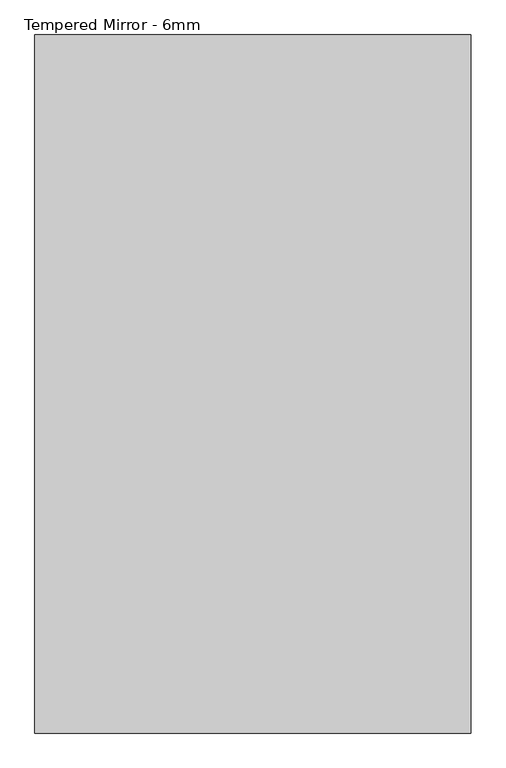
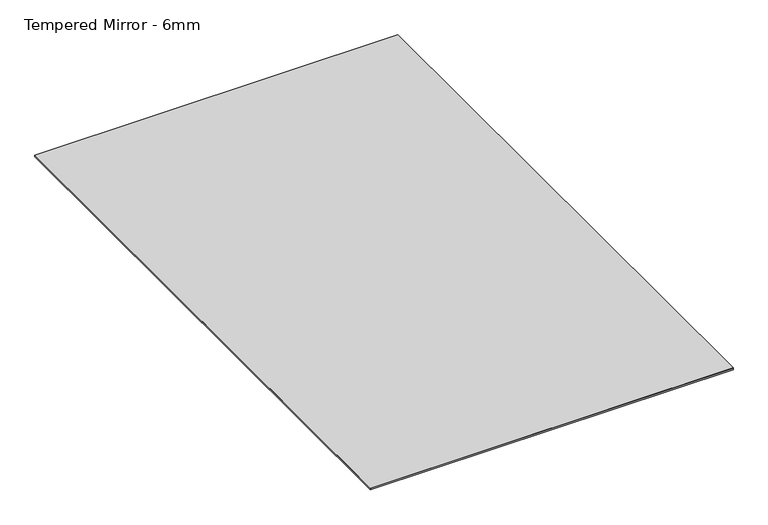
"""IFC4 building model written with IfcOpenShell, lengths in millimetres: proxy geometry, Tempered Mirror - 6mm."""

from ifc_helpers import new_model, si_unit, frame, origin, origin_with_axes, place, context, project, spatial, polyline, outline, extrude, source, transform, mapped, element, save


def tempered_mirror_6mm_9114cee9(model_context):
    return source(origin(), model_context, "Body", "SweptSolid", [
        extrude(outline(polyline([(762.0, -1219.2), (-762.0, -1219.2), (-762.0, 1219.2), (762.0, 1219.2), (762.0, -1219.2)])), frame((0.0, 0.0, 5.953125), z_axis=(0.0, 0.0, 1.0), x_axis=(1.0, 0.0, 0.0)), (0.0, 0.0, 1.0), 0.9921875),
        extrude(outline(polyline([(762.0, 1219.2), (762.0, -1219.2), (-762.0, -1219.2), (-762.0, 1219.2), (762.0, 1219.2)])), origin_with_axes(), (0.0, 0.0, 1.0), 5.953125),
    ])


if __name__ == "__main__":
    model = new_model("IFC4")
    model_context = context("Model", 3, world=origin())
    ifc_project = project(units=[si_unit("LENGTHUNIT", "METRE", prefix="MILLI")], contexts=[model_context])
    site = spatial("IfcSite", under=ifc_project)
    building = spatial("IfcBuilding", under=site)
    placement = place(None, origin())
    tempered_mirror_6mm_shape = tempered_mirror_6mm_9114cee9(model_context)
    element("IfcBuildingElementProxy", 1, Name="Tempered Mirror - 6mm", ObjectType="Tempered Mirror - 6mm", at=placement, inside=building, context=model_context, shape_type="MappedRepresentation", body=[
        mapped(tempered_mirror_6mm_shape, transform((0.0, 0.0, 0.0), x_axis=(1.0, 0.0, 0.0), y_axis=(0.0, 1.0, 0.0), z_axis=(0.0, 0.0, 1.0))),
    ])
    save(model, "model.ifc")
